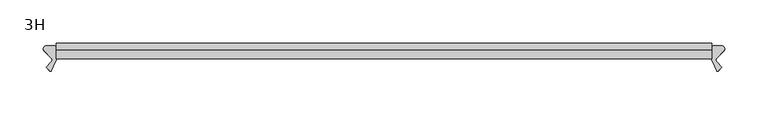
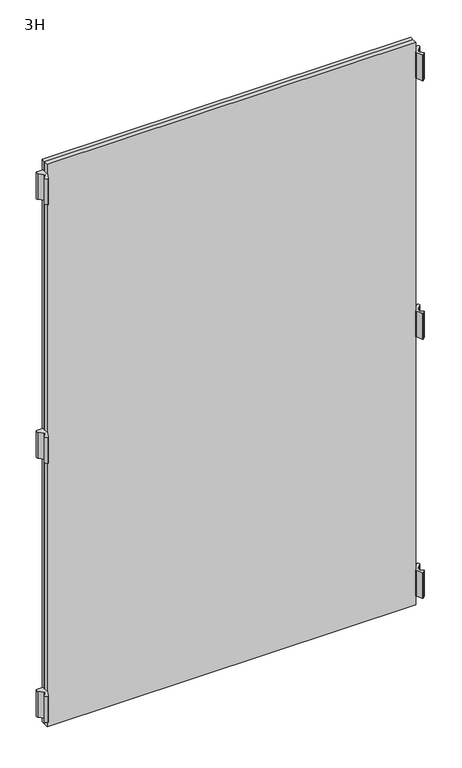
"""IFC4 building model written with IfcOpenShell, lengths in millimetres: furniture geometry, 3H."""

from ifc_helpers import new_model, si_unit, point, frame, frame_2d, origin, place, context, project, spatial, polyline, circle_curve, trimmed, segment, composite_curve, outline, extrude, source, transform, mapped, element, save


def furniture_3h_66ba991c(model_context):
    return source(origin(), model_context, "Body", "SweptSolid", [
        extrude(outline(composite_curve([segment(polyline([(-383.736544, 2.1213203), (-391.9772844, 10.3620607)]), True, "CONTINUOUS"), segment(trimmed(circle_curve(frame_2d((-389.5024107, 12.8369345)), 3.5), [point((-391.9772844, 10.3620607))], [point((-389.5024107, 16.3369345))], False, "CARTESIAN"), True, "CONTINUOUS"), segment(polyline([(-389.5024107, 16.3369345), (-381.0, 16.3369345)]), True, "CONTINUOUS"), segment(trimmed(circle_curve(frame_2d((-381.0, 13.3369345)), 3.0), [point((-381.0, 16.3369345))], [point((-378.0, 13.3369345))], False, "CARTESIAN"), True, "CONTINUOUS"), segment(polyline([(-378.0, 13.3369345), (-378.0, 1.1084733)]), True, "CONTINUOUS"), segment(trimmed(circle_curve(frame_2d((-383.0, 1.1084733)), 5.0), [point((-378.0, 1.1084733))], [point((-378.4684611, -1.004618))], False, "CARTESIAN"), True, "CONTINUOUS"), segment(polyline([(-378.4684611, -1.004618), (-383.79287, -12.4228499)]), True, "CONTINUOUS"), segment(trimmed(circle_curve(frame_2d((-384.6991778, -12.0002316)), 1.0), [point((-383.79287, -12.4228499))], [point((-385.4062846, -12.7073384))], False, "CARTESIAN"), True, "CONTINUOUS"), segment(polyline([(-385.4062846, -12.7073384), (-389.8644234, -8.2491997), (-383.736544, -2.1213203)]), True, "CONTINUOUS"), segment(trimmed(circle_curve(frame_2d((-385.8578644, 0.0)), 3.0), [point((-383.736544, -2.1213203))], [point((-383.736544, 2.1213203))], True, "CARTESIAN"), True, "CONTINUOUS")], self_intersect=False)), frame((0.0, 0.0, 117.0), z_axis=(0.0, 0.0, 1.0), x_axis=(1.0, 0.0, 0.0)), (0.0, 0.0, 1.0), 56.0),
        extrude(outline(composite_curve([segment(trimmed(circle_curve(frame_2d((385.8578644, 0.0)), 3.0), [point((383.736544, 2.1213203))], [point((383.736544, -2.1213203))], True, "CARTESIAN"), True, "CONTINUOUS"), segment(polyline([(383.736544, -2.1213203), (389.8644234, -8.2491997), (385.4062846, -12.7073384)]), True, "CONTINUOUS"), segment(trimmed(circle_curve(frame_2d((384.6991778, -12.0002316)), 1.0), [point((385.4062846, -12.7073384))], [point((383.79287, -12.4228499))], False, "CARTESIAN"), True, "CONTINUOUS"), segment(polyline([(383.79287, -12.4228499), (378.4684611, -1.004618)]), True, "CONTINUOUS"), segment(trimmed(circle_curve(frame_2d((383.0, 1.1084733)), 5.0), [point((378.4684611, -1.004618))], [point((378.0, 1.1084733))], False, "CARTESIAN"), True, "CONTINUOUS"), segment(polyline([(378.0, 1.1084733), (378.0, 13.3369345)]), True, "CONTINUOUS"), segment(trimmed(circle_curve(frame_2d((381.0, 13.3369345)), 3.0), [point((378.0, 13.3369345))], [point((381.0, 16.3369345))], False, "CARTESIAN"), True, "CONTINUOUS"), segment(polyline([(381.0, 16.3369345), (389.5024107, 16.3369345)]), True, "CONTINUOUS"), segment(trimmed(circle_curve(frame_2d((389.5024107, 12.8369345)), 3.5), [point((389.5024107, 16.3369345))], [point((391.9772844, 10.3620607))], False, "CARTESIAN"), True, "CONTINUOUS"), segment(polyline([(391.9772844, 10.3620607), (383.736544, 2.1213203)]), True, "CONTINUOUS")], self_intersect=False)), frame((0.0, 0.0, 117.0), z_axis=(0.0, 0.0, 1.0), x_axis=(1.0, 0.0, 0.0)), (0.0, 0.0, 1.0), 56.0),
        extrude(outline(composite_curve([segment(polyline([(-383.736544, 2.1213203), (-391.9772844, 10.3620607)]), True, "CONTINUOUS"), segment(trimmed(circle_curve(frame_2d((-389.5024107, 12.8369345)), 3.5), [point((-391.9772844, 10.3620607))], [point((-389.5024107, 16.3369345))], False, "CARTESIAN"), True, "CONTINUOUS"), segment(polyline([(-389.5024107, 16.3369345), (-381.0, 16.3369345)]), True, "CONTINUOUS"), segment(trimmed(circle_curve(frame_2d((-381.0, 13.3369345)), 3.0), [point((-381.0, 16.3369345))], [point((-378.0, 13.3369345))], False, "CARTESIAN"), True, "CONTINUOUS"), segment(polyline([(-378.0, 13.3369345), (-378.0, 1.1084733)]), True, "CONTINUOUS"), segment(trimmed(circle_curve(frame_2d((-383.0, 1.1084733)), 5.0), [point((-378.0, 1.1084733))], [point((-378.4684611, -1.004618))], False, "CARTESIAN"), True, "CONTINUOUS"), segment(polyline([(-378.4684611, -1.004618), (-383.79287, -12.4228499)]), True, "CONTINUOUS"), segment(trimmed(circle_curve(frame_2d((-384.6991778, -12.0002316)), 1.0), [point((-383.79287, -12.4228499))], [point((-385.4062846, -12.7073384))], False, "CARTESIAN"), True, "CONTINUOUS"), segment(polyline([(-385.4062846, -12.7073384), (-389.8644234, -8.2491997), (-383.736544, -2.1213203)]), True, "CONTINUOUS"), segment(trimmed(circle_curve(frame_2d((-385.8578644, 0.0)), 3.0), [point((-383.736544, -2.1213203))], [point((-383.736544, 2.1213203))], True, "CARTESIAN"), True, "CONTINUOUS")], self_intersect=False)), frame((0.0, 0.0, 679.0), z_axis=(0.0, 0.0, 1.0), x_axis=(1.0, 0.0, 0.0)), (0.0, 0.0, 1.0), 56.0),
        extrude(outline(composite_curve([segment(trimmed(circle_curve(frame_2d((385.8578644, 0.0)), 3.0), [point((383.736544, 2.1213203))], [point((383.736544, -2.1213203))], True, "CARTESIAN"), True, "CONTINUOUS"), segment(polyline([(383.736544, -2.1213203), (389.8644234, -8.2491997), (385.4062846, -12.7073384)]), True, "CONTINUOUS"), segment(trimmed(circle_curve(frame_2d((384.6991778, -12.0002316)), 1.0), [point((385.4062846, -12.7073384))], [point((383.79287, -12.4228499))], False, "CARTESIAN"), True, "CONTINUOUS"), segment(polyline([(383.79287, -12.4228499), (378.4684611, -1.004618)]), True, "CONTINUOUS"), segment(trimmed(circle_curve(frame_2d((383.0, 1.1084733)), 5.0), [point((378.4684611, -1.004618))], [point((378.0, 1.1084733))], False, "CARTESIAN"), True, "CONTINUOUS"), segment(polyline([(378.0, 1.1084733), (378.0, 13.3369345)]), True, "CONTINUOUS"), segment(trimmed(circle_curve(frame_2d((381.0, 13.3369345)), 3.0), [point((378.0, 13.3369345))], [point((381.0, 16.3369345))], False, "CARTESIAN"), True, "CONTINUOUS"), segment(polyline([(381.0, 16.3369345), (389.5024107, 16.3369345)]), True, "CONTINUOUS"), segment(trimmed(circle_curve(frame_2d((389.5024107, 12.8369345)), 3.5), [point((389.5024107, 16.3369345))], [point((391.9772844, 10.3620607))], False, "CARTESIAN"), True, "CONTINUOUS"), segment(polyline([(391.9772844, 10.3620607), (383.736544, 2.1213203)]), True, "CONTINUOUS")], self_intersect=False)), frame((0.0, 0.0, 679.0), z_axis=(0.0, 0.0, 1.0), x_axis=(1.0, 0.0, 0.0)), (0.0, 0.0, 1.0), 56.0),
        extrude(outline(composite_curve([segment(polyline([(-383.736544, 2.1213203), (-391.9772844, 10.3620607)]), True, "CONTINUOUS"), segment(trimmed(circle_curve(frame_2d((-389.5024107, 12.8369345)), 3.5), [point((-391.9772844, 10.3620607))], [point((-389.5024107, 16.3369345))], False, "CARTESIAN"), True, "CONTINUOUS"), segment(polyline([(-389.5024107, 16.3369345), (-381.0, 16.3369345)]), True, "CONTINUOUS"), segment(trimmed(circle_curve(frame_2d((-381.0, 13.3369345)), 3.0), [point((-381.0, 16.3369345))], [point((-378.0, 13.3369345))], False, "CARTESIAN"), True, "CONTINUOUS"), segment(polyline([(-378.0, 13.3369345), (-378.0, 1.1084733)]), True, "CONTINUOUS"), segment(trimmed(circle_curve(frame_2d((-383.0, 1.1084733)), 5.0), [point((-378.0, 1.1084733))], [point((-378.4684611, -1.004618))], False, "CARTESIAN"), True, "CONTINUOUS"), segment(polyline([(-378.4684611, -1.004618), (-383.79287, -12.4228499)]), True, "CONTINUOUS"), segment(trimmed(circle_curve(frame_2d((-384.6991778, -12.0002316)), 1.0), [point((-383.79287, -12.4228499))], [point((-385.4062846, -12.7073384))], False, "CARTESIAN"), True, "CONTINUOUS"), segment(polyline([(-385.4062846, -12.7073384), (-389.8644234, -8.2491997), (-383.736544, -2.1213203)]), True, "CONTINUOUS"), segment(trimmed(circle_curve(frame_2d((-385.8578644, 0.0)), 3.0), [point((-383.736544, -2.1213203))], [point((-383.736544, 2.1213203))], True, "CARTESIAN"), True, "CONTINUOUS")], self_intersect=False)), frame((0.0, 0.0, 1240.1401745), z_axis=(0.0, 0.0, 1.0), x_axis=(1.0, 0.0, 0.0)), (0.0, 0.0, 1.0), 56.0),
        extrude(outline(composite_curve([segment(trimmed(circle_curve(frame_2d((385.8578644, 0.0)), 3.0), [point((383.736544, 2.1213203))], [point((383.736544, -2.1213203))], True, "CARTESIAN"), True, "CONTINUOUS"), segment(polyline([(383.736544, -2.1213203), (389.8644234, -8.2491997), (385.4062846, -12.7073384)]), True, "CONTINUOUS"), segment(trimmed(circle_curve(frame_2d((384.6991778, -12.0002316)), 1.0), [point((385.4062846, -12.7073384))], [point((383.79287, -12.4228499))], False, "CARTESIAN"), True, "CONTINUOUS"), segment(polyline([(383.79287, -12.4228499), (378.4684611, -1.004618)]), True, "CONTINUOUS"), segment(trimmed(circle_curve(frame_2d((383.0, 1.1084733)), 5.0), [point((378.4684611, -1.004618))], [point((378.0, 1.1084733))], False, "CARTESIAN"), True, "CONTINUOUS"), segment(polyline([(378.0, 1.1084733), (378.0, 13.3369345)]), True, "CONTINUOUS"), segment(trimmed(circle_curve(frame_2d((381.0, 13.3369345)), 3.0), [point((378.0, 13.3369345))], [point((381.0, 16.3369345))], False, "CARTESIAN"), True, "CONTINUOUS"), segment(polyline([(381.0, 16.3369345), (389.5024107, 16.3369345)]), True, "CONTINUOUS"), segment(trimmed(circle_curve(frame_2d((389.5024107, 12.8369345)), 3.5), [point((389.5024107, 16.3369345))], [point((391.9772844, 10.3620607))], False, "CARTESIAN"), True, "CONTINUOUS"), segment(polyline([(391.9772844, 10.3620607), (383.736544, 2.1213203)]), True, "CONTINUOUS")], self_intersect=False)), frame((0.0, 0.0, 1240.1401745), z_axis=(0.0, 0.0, 1.0), x_axis=(1.0, 0.0, 0.0)), (0.0, 0.0, 1.0), 56.0),
        extrude(outline(polyline([(378.0, 11.15), (378.0, 1.15), (-378.0, 1.15), (-378.0, 11.15), (378.0, 11.15)])), frame((0.0, 0.0, 97.0), z_axis=(0.0, 0.0, 1.0), x_axis=(1.0, 0.0, 0.0)), (0.0, 0.0, 1.0), 1220.0),
        extrude(outline(polyline([(378.0, 19.15), (378.0, 11.15), (-378.0, 11.15), (-378.0, 19.15), (378.0, 19.15)])), frame((0.0, 0.0, 97.0), z_axis=(0.0, 0.0, 1.0), x_axis=(1.0, 0.0, 0.0)), (0.0, 0.0, 1.0), 1220.0),
    ])


if __name__ == "__main__":
    model = new_model("IFC4")
    model_context = context("Model", 3, world=origin())
    ifc_project = project(units=[si_unit("LENGTHUNIT", "METRE", prefix="MILLI")], contexts=[model_context])
    site = spatial("IfcSite", under=ifc_project)
    building = spatial("IfcBuilding", under=site)
    placement = place(None, origin())
    furniture_3h_shape = furniture_3h_66ba991c(model_context)
    element("IfcFurniture", 1, ObjectType="3H", at=placement, inside=building, context=model_context, shape_type="MappedRepresentation", body=[
        mapped(furniture_3h_shape, transform((0.0, 0.0, 0.0), x_axis=(1.0, 0.0, 0.0), y_axis=(0.0, 1.0, 0.0), z_axis=(0.0, 0.0, 1.0))),
    ])
    save(model, "model.ifc")
